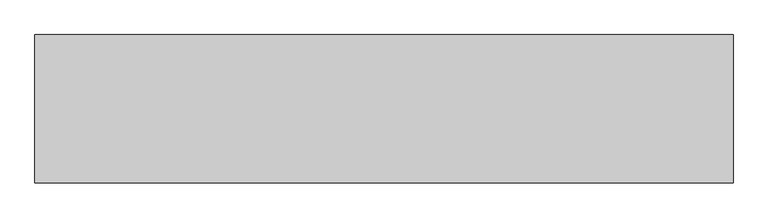
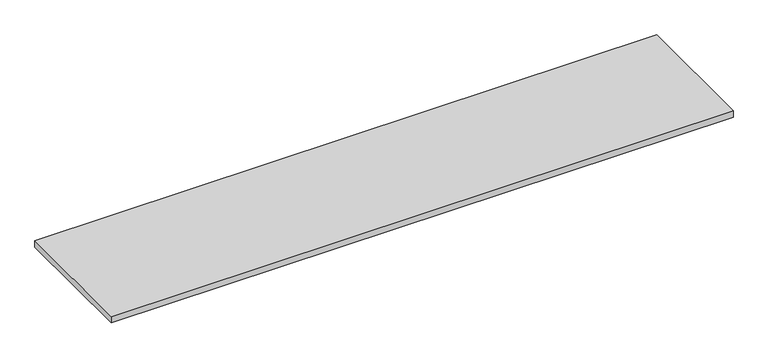
"""IFC4 building model written with IfcOpenShell, lengths in millimetres: furniture geometry."""

from ifc_helpers import new_model, si_unit, frame, origin, place, context, project, spatial, polyline, outline, extrude, source, transform, mapped, element, save


def furniture_9725eb14(model_context):
    return source(origin(), model_context, "Body", "SweptSolid", [
        extrude(outline(polyline([(0.0, 0.0), (1880.0, 0.0), (1880.0, -400.0), (0.0, -400.0), (0.0, 0.0)])), frame((0.0, 0.0, 730.0), z_axis=(0.0, 0.0, 1.0), x_axis=(1.0, 0.0, 0.0)), (0.0, 0.0, 1.0), 20.0),
    ])


if __name__ == "__main__":
    model = new_model("IFC4")
    model_context = context("Model", 3, world=origin())
    ifc_project = project(units=[si_unit("LENGTHUNIT", "METRE", prefix="MILLI")], contexts=[model_context])
    site = spatial("IfcSite", under=ifc_project)
    building = spatial("IfcBuilding", under=site)
    placement = place(None, origin())
    furniture_shape = furniture_9725eb14(model_context)
    element("IfcFurniture", 1, at=placement, inside=building, context=model_context, shape_type="MappedRepresentation", body=[
        mapped(furniture_shape, transform((0.0, 0.0, 0.0), x_axis=(1.0, 0.0, 0.0), y_axis=(0.0, 1.0, 0.0), z_axis=(0.0, 0.0, 1.0))),
    ])
    save(model, "model.ifc")
